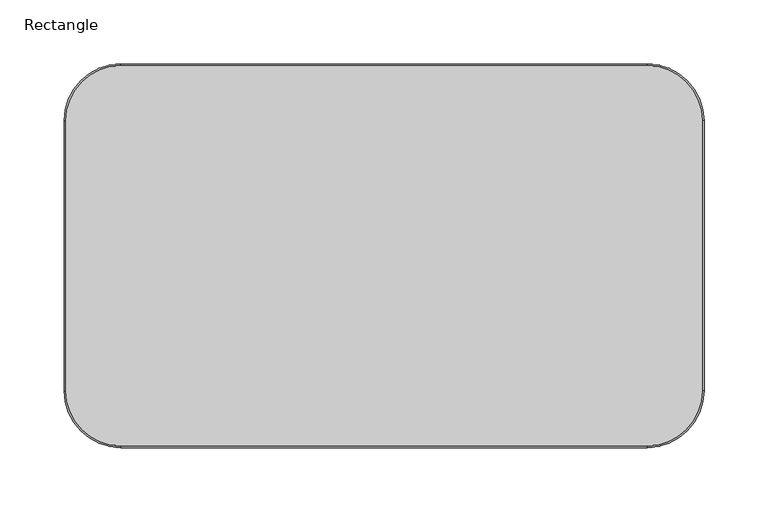
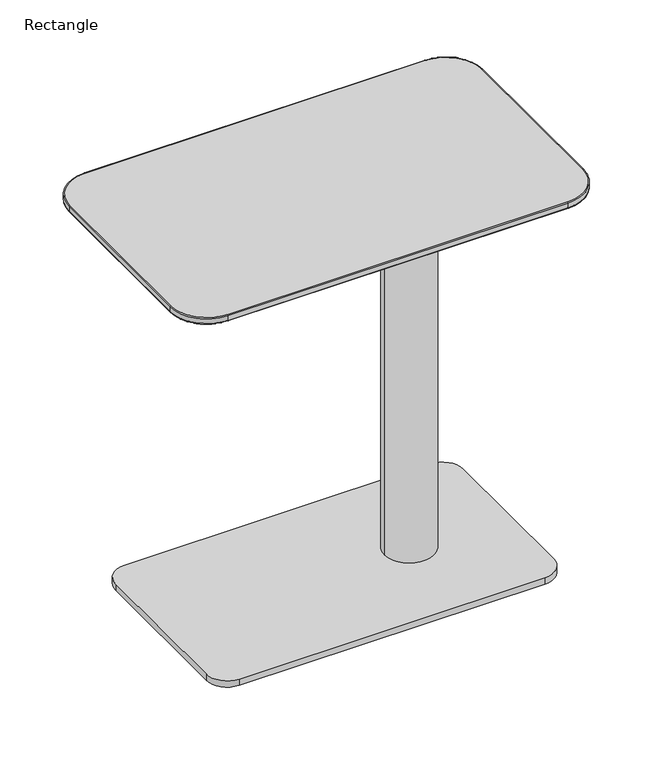
"""IFC4 building model written with IfcOpenShell, lengths in millimetres: furniture geometry, Rectangle."""

from ifc_helpers import new_model, si_unit, point, frame, frame_2d, origin, origin_with_axes, place, context, project, spatial, polyline, circle_curve, ellipse_curve, trimmed, segment, composite_curve, outline, extrude, source, transform, mapped, element, save
from ifc_brep_helpers import plane_surface, cylinder_surface, revolved_surface, advanced_brep


def rectangle_f26dc21c(model_context):
    return source(origin(), model_context, "Body", "SolidModel", [
        advanced_brep(
        [(500.0, -255.55, 495.015939), (455.55, -300.0, 495.015939), (455.55, -298.984, 493.999939), (498.984, -255.55, 493.999939), (500.0, -255.55, 500.983939), (455.55, -300.0, 500.983939), (498.984, -255.55, 501.999939), (455.55, -298.984, 501.999939), (498.984, -44.45, 493.999939), (500.0, -44.45, 495.015939), (500.0, -44.45, 500.983939), (498.984, -44.45, 501.999939), (455.55, -1.016, 493.999939), (455.55, 0.0, 495.015939), (455.55, 0.0, 500.983939), (455.55, -1.016, 501.999939), (44.45, -1.016, 493.999939), (44.45, 0.0, 495.015939), (44.45, 0.0, 500.983939), (44.45, -1.016, 501.999939), (1.016, -44.45, 493.999939), (0.0, -44.45, 495.015939), (0.0, -44.45, 500.983939), (1.016, -44.45, 501.999939), (1.016, -255.55, 493.999939), (0.0, -255.55, 495.015939), (0.0, -255.55, 500.983939), (1.016, -255.55, 501.999939), (44.45, -298.984, 493.999939), (44.45, -300.0, 495.015939), (44.45, -300.0, 500.983939), (44.45, -298.984, 501.999939)],
        [
            (0, 1, circle_curve(frame((455.55, -255.55, 495.015939), z_axis=(0.0, 0.0, -1.0), x_axis=(0.0, -1.0, 0.0)), 44.45)),
            (1, 2, circle_curve(frame((455.55, -298.984, 495.015939), z_axis=(1.0, 0.0, 0.0), x_axis=(0.0, 1.0, 0.0)), 1.016)),
            (2, 3, circle_curve(frame((455.55, -255.55, 493.999939), z_axis=(0.0, 0.0, 1.0), x_axis=(0.0, -1.0, 0.0)), 43.434)),
            (3, 0, circle_curve(frame((498.984, -255.55, 495.015939), z_axis=(0.0, -1.0, 0.0), x_axis=(-1.0, 0.0, 0.0)), 1.016)),
            (0, 4),
            (4, 5, circle_curve(frame((455.55, -255.55, 500.983939), z_axis=(0.0, 0.0, -1.0), x_axis=(0.0, -1.0, 0.0)), 44.45)),
            (5, 1),
            (4, 6, circle_curve(frame((498.984, -255.55, 500.983939), z_axis=(0.0, -1.0, 0.0), x_axis=(-1.0, 0.0, 0.0)), 1.016)),
            (6, 7, circle_curve(frame((455.55, -255.55, 501.999939), z_axis=(0.0, 0.0, -1.0), x_axis=(0.0, -1.0, 0.0)), 43.434)),
            (7, 5, circle_curve(frame((455.55, -298.984, 500.983939), z_axis=(1.0, 0.0, 0.0), x_axis=(0.0, 1.0, 0.0)), 1.016)),
            (3, 8),
            (8, 9, circle_curve(frame((498.984, -44.45, 495.015939), z_axis=(0.0, -1.0, 0.0), x_axis=(-1.0, 0.0, 0.0)), 1.016)),
            (9, 0),
            (9, 10),
            (10, 4),
            (10, 11, circle_curve(frame((498.984, -44.45, 500.983939), z_axis=(0.0, -1.0, 0.0), x_axis=(-1.0, 0.0, 0.0)), 1.016)),
            (11, 6),
            (8, 12, circle_curve(frame((455.55, -44.45, 493.999939), z_axis=(0.0, 0.0, 1.0), x_axis=(1.0, 0.0, 0.0)), 43.434)),
            (12, 13, circle_curve(frame((455.55, -1.016, 495.015939), z_axis=(1.0, 0.0, 0.0), x_axis=(0.0, -1.0, 0.0)), 1.016)),
            (13, 9, circle_curve(frame((455.55, -44.45, 495.015939), z_axis=(0.0, 0.0, -1.0), x_axis=(1.0, 0.0, 0.0)), 44.45)),
            (13, 14),
            (14, 10, circle_curve(frame((455.55, -44.45, 500.983939), z_axis=(0.0, 0.0, -1.0), x_axis=(1.0, 0.0, 0.0)), 44.45)),
            (14, 15, circle_curve(frame((455.55, -1.016, 500.983939), z_axis=(1.0, 0.0, 0.0), x_axis=(0.0, -1.0, 0.0)), 1.016)),
            (15, 11, circle_curve(frame((455.55, -44.45, 501.999939), z_axis=(0.0, 0.0, -1.0), x_axis=(1.0, 0.0, 0.0)), 43.434)),
            (12, 16),
            (16, 17, circle_curve(frame((44.45, -1.016, 495.015939), z_axis=(1.0, 0.0, 0.0), x_axis=(0.0, -1.0, 0.0)), 1.016)),
            (17, 13),
            (17, 18),
            (18, 14),
            (18, 19, circle_curve(frame((44.45, -1.016, 500.983939), z_axis=(1.0, 0.0, 0.0), x_axis=(0.0, -1.0, 0.0)), 1.016)),
            (19, 15),
            (16, 20, circle_curve(frame((44.45, -44.45, 493.999939), z_axis=(0.0, 0.0, 1.0), x_axis=(0.0, 1.0, 0.0)), 43.434)),
            (20, 21, circle_curve(frame((1.016, -44.45, 495.015939), z_axis=(0.0, 1.0, 0.0), x_axis=(1.0, 0.0, 0.0)), 1.016)),
            (21, 17, circle_curve(frame((44.45, -44.45, 495.015939), z_axis=(0.0, 0.0, -1.0), x_axis=(0.0, 1.0, 0.0)), 44.45)),
            (21, 22),
            (22, 18, circle_curve(frame((44.45, -44.45, 500.983939), z_axis=(0.0, 0.0, -1.0), x_axis=(0.0, 1.0, 0.0)), 44.45)),
            (22, 23, circle_curve(frame((1.016, -44.45, 500.983939), z_axis=(0.0, 1.0, 0.0), x_axis=(1.0, 0.0, 0.0)), 1.016)),
            (23, 19, circle_curve(frame((44.45, -44.45, 501.999939), z_axis=(0.0, 0.0, -1.0), x_axis=(0.0, 1.0, 0.0)), 43.434)),
            (20, 24),
            (24, 25, circle_curve(frame((1.016, -255.55, 495.015939), z_axis=(0.0, 1.0, 0.0), x_axis=(1.0, 0.0, 0.0)), 1.016)),
            (25, 21),
            (25, 26),
            (26, 22),
            (26, 27, circle_curve(frame((1.016, -255.55, 500.983939), z_axis=(0.0, 1.0, 0.0), x_axis=(1.0, 0.0, 0.0)), 1.016)),
            (27, 23),
            (24, 28, circle_curve(frame((44.45, -255.55, 493.999939), z_axis=(0.0, 0.0, 1.0), x_axis=(-1.0, 0.0, 0.0)), 43.434)),
            (28, 29, circle_curve(frame((44.45, -298.984, 495.015939), z_axis=(-1.0, 0.0, 0.0), x_axis=(0.0, 1.0, 0.0)), 1.016)),
            (29, 25, circle_curve(frame((44.45, -255.55, 495.015939), z_axis=(0.0, 0.0, -1.0), x_axis=(-1.0, 0.0, 0.0)), 44.45)),
            (29, 30),
            (30, 26, circle_curve(frame((44.45, -255.55, 500.983939), z_axis=(0.0, 0.0, -1.0), x_axis=(-1.0, 0.0, 0.0)), 44.45)),
            (30, 31, circle_curve(frame((44.45, -298.984, 500.983939), z_axis=(-1.0, 0.0, 0.0), x_axis=(0.0, 1.0, 0.0)), 1.016)),
            (31, 27, circle_curve(frame((44.45, -255.55, 501.999939), z_axis=(0.0, 0.0, -1.0), x_axis=(-1.0, 0.0, 0.0)), 43.434)),
            (2, 28),
            (1, 29),
            (5, 30),
            (7, 31),
        ],
        [
            revolved_surface(trimmed(ellipse_curve(frame((455.55, -298.984, 495.015939), z_axis=(-1.0, 0.0, 0.0), x_axis=(0.0, 1.0, 0.0)), 1.016, 1.016), [point((455.55, -298.984, 493.999939))], [point((455.55, -300.0, 495.015939))], True, "CARTESIAN"), (455.55, -255.55, 0.0), (0.0, 0.0, 1.0)),
            cylinder_surface(frame((455.55, -255.55, 0.0), z_axis=(0.0, 0.0, 1.0), x_axis=(0.0, -1.0, 0.0)), 44.45),
            revolved_surface(trimmed(ellipse_curve(frame((455.55, -298.984, 500.983939), z_axis=(-1.0, 0.0, 0.0), x_axis=(0.0, 1.0, 0.0)), 1.016, 1.016), [point((455.55, -300.0, 500.983939))], [point((455.55, -298.984, 501.999939))], True, "CARTESIAN"), (455.55, -255.55, 0.0), (0.0, 0.0, 1.0)),
            cylinder_surface(frame((498.984, -255.55, 495.015939), z_axis=(0.0, -1.0, 0.0), x_axis=(-1.0, 0.0, 0.0)), 1.016),
            plane_surface(frame((500.0, -255.55, 495.015939), z_axis=(1.0, 0.0, 0.0), x_axis=(0.0, 1.0, 0.0))),
            cylinder_surface(frame((498.984, -255.55, 500.983939), z_axis=(0.0, -1.0, 0.0), x_axis=(-1.0, 0.0, 0.0)), 1.016),
            revolved_surface(trimmed(ellipse_curve(frame((498.984, -44.45, 495.015939), z_axis=(0.0, -1.0, 0.0), x_axis=(-1.0, 0.0, 0.0)), 1.016, 1.016), [point((498.984, -44.45, 493.999939))], [point((500.0, -44.45, 495.015939))], True, "CARTESIAN"), (455.55, -44.45, 0.0), (0.0, 0.0, 1.0)),
            cylinder_surface(frame((455.55, -44.45, 0.0), z_axis=(0.0, 0.0, 1.0), x_axis=(1.0, 0.0, 0.0)), 44.45),
            revolved_surface(trimmed(ellipse_curve(frame((498.984, -44.45, 500.983939), z_axis=(0.0, -1.0, 0.0), x_axis=(-1.0, 0.0, 0.0)), 1.016, 1.016), [point((500.0, -44.45, 500.983939))], [point((498.984, -44.45, 501.999939))], True, "CARTESIAN"), (455.55, -44.45, 0.0), (0.0, 0.0, 1.0)),
            cylinder_surface(frame((455.55, -1.016, 495.015939), z_axis=(1.0, 0.0, 0.0), x_axis=(0.0, -1.0, 0.0)), 1.016),
            plane_surface(frame((455.55, 0.0, 495.015939), z_axis=(0.0, 1.0, 0.0), x_axis=(-1.0, 0.0, 0.0))),
            cylinder_surface(frame((455.55, -1.016, 500.983939), z_axis=(1.0, 0.0, 0.0), x_axis=(0.0, -1.0, 0.0)), 1.016),
            revolved_surface(trimmed(ellipse_curve(frame((44.45, -1.016, 495.015939), z_axis=(1.0, 0.0, 0.0), x_axis=(0.0, -1.0, 0.0)), 1.016, 1.016), [point((44.45, -1.016, 493.999939))], [point((44.45, 0.0, 495.015939))], True, "CARTESIAN"), (44.45, -44.45, 0.0), (0.0, 0.0, 1.0)),
            cylinder_surface(frame((44.45, -44.45, 0.0), z_axis=(0.0, 0.0, 1.0), x_axis=(0.0, 1.0, 0.0)), 44.45),
            revolved_surface(trimmed(ellipse_curve(frame((44.45, -1.016, 500.983939), z_axis=(1.0, 0.0, 0.0), x_axis=(0.0, -1.0, 0.0)), 1.016, 1.016), [point((44.45, 0.0, 500.983939))], [point((44.45, -1.016, 501.999939))], True, "CARTESIAN"), (44.45, -44.45, 0.0), (0.0, 0.0, 1.0)),
            cylinder_surface(frame((1.016, -44.45, 495.015939), z_axis=(0.0, 1.0, 0.0), x_axis=(1.0, 0.0, 0.0)), 1.016),
            plane_surface(frame((0.0, -44.45, 495.015939), z_axis=(-1.0, 0.0, 0.0), x_axis=(0.0, -1.0, 0.0))),
            cylinder_surface(frame((1.016, -44.45, 500.983939), z_axis=(0.0, 1.0, 0.0), x_axis=(1.0, 0.0, 0.0)), 1.016),
            revolved_surface(trimmed(ellipse_curve(frame((1.016, -255.55, 495.015939), z_axis=(0.0, 1.0, 0.0), x_axis=(1.0, 0.0, 0.0)), 1.016, 1.016), [point((1.016, -255.55, 493.999939))], [point((0.0, -255.55, 495.015939))], True, "CARTESIAN"), (44.45, -255.55, 0.0), (0.0, 0.0, 1.0)),
            cylinder_surface(frame((44.45, -255.55, 0.0), z_axis=(0.0, 0.0, 1.0), x_axis=(-1.0, 0.0, 0.0)), 44.45),
            revolved_surface(trimmed(ellipse_curve(frame((1.016, -255.55, 500.983939), z_axis=(0.0, 1.0, 0.0), x_axis=(1.0, 0.0, 0.0)), 1.016, 1.016), [point((0.0, -255.55, 500.983939))], [point((1.016, -255.55, 501.999939))], True, "CARTESIAN"), (44.45, -255.55, 0.0), (0.0, 0.0, 1.0)),
            plane_surface(frame((44.45, -296.19, 493.999939), z_axis=(0.0, 0.0, -1.0), x_axis=(1.0, 0.0, 0.0))),
            cylinder_surface(frame((44.45, -298.984, 495.015939), z_axis=(-1.0, 0.0, 0.0), x_axis=(0.0, 1.0, 0.0)), 1.016),
            plane_surface(frame((44.45, -300.0, 495.015939), z_axis=(0.0, -1.0, 0.0), x_axis=(1.0, 0.0, 0.0))),
            cylinder_surface(frame((44.45, -298.984, 500.983939), z_axis=(-1.0, 0.0, 0.0), x_axis=(0.0, 1.0, 0.0)), 1.016),
            plane_surface(frame((44.45, -298.984, 501.999939), z_axis=(0.0, 0.0, 1.0), x_axis=(1.0, 0.0, 0.0))),
        ],
        [
            (0, [[1, 2, 3, 4]]),
            (1, [[-1, 5, 6, 7]]),
            (2, [[-6, 8, 9, 10]]),
            (3, [[-4, 11, 12, 13]]),
            (4, [[-5, -13, 14, 15]]),
            (5, [[-8, -15, 16, 17]]),
            (6, [[-12, 18, 19, 20]]),
            (7, [[-14, -20, 21, 22]]),
            (8, [[-16, -22, 23, 24]]),
            (9, [[-19, 25, 26, 27]]),
            (10, [[-21, -27, 28, 29]]),
            (11, [[-23, -29, 30, 31]]),
            (12, [[-26, 32, 33, 34]]),
            (13, [[-28, -34, 35, 36]]),
            (14, [[-30, -36, 37, 38]]),
            (15, [[-33, 39, 40, 41]]),
            (16, [[-35, -41, 42, 43]]),
            (17, [[-37, -43, 44, 45]]),
            (18, [[-40, 46, 47, 48]]),
            (19, [[-42, -48, 49, 50]]),
            (20, [[-44, -50, 51, 52]]),
            (21, [[-3, 53, -46, -39, -32, -25, -18, -11]]),
            (22, [[-2, 54, -47, -53]]),
            (23, [[-7, 55, -49, -54]]),
            (24, [[-10, 56, -51, -55]]),
            (25, [[-9, -17, -24, -31, -38, -45, -52, -56]]),
        ],
    ),
        extrude(outline(composite_curve([segment(polyline([(75.399939, -30.0000916), (444.600061, -30.0000916)]), True, "CONTINUOUS"), segment(trimmed(circle_curve(frame_2d((444.600061, -55.4000916)), 25.4), [point((444.600061, -30.0000916))], [point((470.000061, -55.4000916))], False, "CARTESIAN"), True, "CONTINUOUS"), segment(polyline([(470.000061, -55.4000916), (470.000061, -244.600061)]), True, "CONTINUOUS"), segment(trimmed(circle_curve(frame_2d((444.600061, -244.600061)), 25.4), [point((470.000061, -244.600061))], [point((444.600061, -270.000061))], False, "CARTESIAN"), True, "CONTINUOUS"), segment(polyline([(444.600061, -270.000061), (75.399939, -270.000061)]), True, "CONTINUOUS"), segment(trimmed(circle_curve(frame_2d((75.399939, -244.600061)), 25.4), [point((75.399939, -270.000061))], [point((49.999939, -244.600061))], False, "CARTESIAN"), True, "CONTINUOUS"), segment(polyline([(49.999939, -244.600061), (49.999939, -55.4000916)]), True, "CONTINUOUS"), segment(trimmed(circle_curve(frame_2d((75.399939, -55.4000916)), 25.4), [point((49.999939, -55.4000916))], [point((75.399939, -30.0000916))], False, "CARTESIAN"), True, "CONTINUOUS")], self_intersect=False)), origin_with_axes(), (0.0, 0.0, 1.0), 7.9999695),
        advanced_brep(
        [(449.891571, -150.0, 495.1225403), (250.1083069, -150.0, 495.1225403), (349.999939, -150.0, 495.1225403), (449.891571, -150.0, 480.0004456), (250.1083069, -150.0, 480.0004456), (380.0980835, -150.0, 480.0004456), (319.9017944, -150.0, 480.0004456), (380.0980835, -150.0, 7.9999695), (319.9017944, -150.0, 7.9999695), (349.999939, -150.0, 7.9999695)],
        [
            (0, 1, circle_curve(frame((349.999939, -150.0, 495.1225403), z_axis=(0.0, 0.0, 1.0), x_axis=(-1.0, 0.0, 0.0)), 99.8916321)),
            (1, 2),
            (2, 0),
            (1, 0, circle_curve(frame((349.999939, -150.0, 495.1225403), z_axis=(0.0, 0.0, 1.0), x_axis=(-1.0, 0.0, 0.0)), 99.8916321)),
            (3, 4, circle_curve(frame((349.999939, -150.0, 480.0004456), z_axis=(0.0, 0.0, 1.0), x_axis=(-1.0, 0.0, 0.0)), 99.8916321)),
            (4, 1),
            (0, 3),
            (4, 3, circle_curve(frame((349.999939, -150.0, 480.0004456), z_axis=(0.0, 0.0, 1.0), x_axis=(-1.0, 0.0, 0.0)), 99.8916321)),
            (5, 6, circle_curve(frame((349.999939, -150.0, 480.0004456), z_axis=(0.0, 0.0, 1.0), x_axis=(-1.0, 0.0, 0.0)), 30.0981445)),
            (6, 4),
            (3, 5),
            (6, 5, circle_curve(frame((349.999939, -150.0, 480.0004456), z_axis=(0.0, 0.0, 1.0), x_axis=(-1.0, 0.0, 0.0)), 30.0981445)),
            (7, 8, circle_curve(frame((349.999939, -150.0, 7.9999695), z_axis=(0.0, 0.0, 1.0), x_axis=(-1.0, 0.0, 0.0)), 30.0981445)),
            (8, 6),
            (5, 7),
            (8, 7, circle_curve(frame((349.999939, -150.0, 7.9999695), z_axis=(0.0, 0.0, 1.0), x_axis=(-1.0, 0.0, 0.0)), 30.0981445)),
            (9, 8),
            (7, 9),
        ],
        [
            plane_surface(frame((349.999939, -150.0, 495.1225403), z_axis=(0.0, 0.0, 1.0), x_axis=(-1.0, 0.0, 0.0))),
            cylinder_surface(frame((349.999939, -150.0, 4.4313702), z_axis=(0.0, 0.0, -1.0), x_axis=(-1.0, 0.0, 0.0)), 99.8916321),
            plane_surface(frame((349.999939, -150.0, 480.0004456), z_axis=(0.0, 0.0, -1.0), x_axis=(-1.0, 0.0, 0.0))),
            cylinder_surface(frame((349.999939, -150.0, 4.4313702), z_axis=(0.0, 0.0, -1.0), x_axis=(-1.0, 0.0, 0.0)), 30.0981445),
            plane_surface(frame((349.999939, -150.0, 7.9999695), z_axis=(0.0, 0.0, -1.0), x_axis=(-1.0, 0.0, 0.0))),
        ],
        [
            (0, [[1, 2, 3]]),
            (0, [[4, -3, -2]]),
            (1, [[5, 6, -1, 7]]),
            (1, [[8, -7, -4, -6]]),
            (2, [[9, 10, -5, 11]]),
            (2, [[12, -11, -8, -10]]),
            (3, [[13, 14, -9, 15]]),
            (3, [[16, -15, -12, -14]]),
            (4, [[17, -13, 18]]),
            (4, [[-18, -16, -17]]),
        ],
    ),
    ])


if __name__ == "__main__":
    model = new_model("IFC4")
    model_context = context("Model", 3, world=origin())
    ifc_project = project(units=[si_unit("LENGTHUNIT", "METRE", prefix="MILLI")], contexts=[model_context])
    site = spatial("IfcSite", under=ifc_project)
    building = spatial("IfcBuilding", under=site)
    placement = place(None, origin())
    ifc_rectangle_shape = rectangle_f26dc21c(model_context)
    element("IfcFurniture", 1, ObjectType="Rectangle", at=placement, inside=building, context=model_context, shape_type="MappedRepresentation", body=[
        mapped(ifc_rectangle_shape, transform((0.0, 0.0, 0.0), x_axis=(1.0, 0.0, 0.0), y_axis=(0.0, 1.0, 0.0), z_axis=(0.0, 0.0, 1.0))),
    ])
    save(model, "model.ifc")
